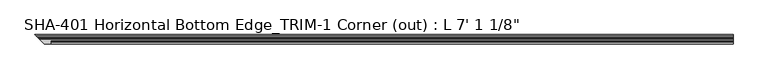
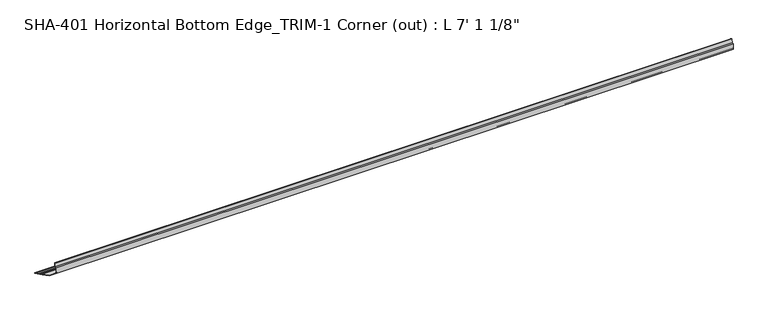
"""IFC4 building model written with IfcOpenShell, lengths in millimetres: proxy geometry."""

from ifc_helpers import new_model, si_unit, frame, origin, place, context, project, spatial, polyline, circle_curve, ellipse_curve, source, transform, mapped, element, save
from ifc_brep_helpers import plane_surface, cylinder_surface, revolved_surface, advanced_brep


def proxy_b42b2d06(model_context):
    return source(origin(), model_context, "Body", "AdvancedBrep", [
        advanced_brep(
        [(2162.175, 7.2036308, 29.6006869), (2162.175, 5.392657, 19.0246), (2162.175, 0.0, 19.0246), (2162.175, 0.0, 0.0), (2162.175, 13.8696178, 0.0), (2162.175, 28.575, 0.0), (2162.175, 28.575, 1.5748), (2162.175, 24.7045919, 1.5748), (2162.175, 21.5549919, 1.5748), (2162.175, 17.018, 1.5748), (2162.175, 13.9230434, 1.905), (2162.175, 3.81, 1.905), (2162.175, 1.905, 3.81), (2162.175, 1.905, 15.2146), (2162.175, 3.81, 17.1196), (2162.175, 9.525, 17.1196), (2162.175, 9.525, 29.5346031), (50.8, 9.525, 29.5346031), (50.8, 7.2036308, 29.6006869), (50.8, 9.525, 17.1196), (50.8, 3.81, 17.1196), (50.8, 1.905, 15.2146), (50.8, 1.905, 3.81), (50.8, 3.81, 1.905), (14.6519566, 13.9230434, 1.905), (28.575, 0.0, 1.905), (50.8, 0.0, 1.905), (11.557, 17.018, 1.5748), (7.0200081, 21.5549919, 1.5748), (3.8704081, 24.7045919, 1.5748), (0.0, 28.575, 1.5748), (0.0, 28.575, 0.0), (14.7053822, 13.8696178, 0.0), (28.575, 0.0, 0.0), (50.8, 0.0, 19.0246), (50.8, 5.392657, 19.0246)],
        [
            (0, 1),
            (1, 2),
            (2, 3),
            (3, 4),
            (4, 5),
            (5, 6),
            (6, 7),
            (7, 8, circle_curve(frame((2162.175, 23.1297919, 1.5748), z_axis=(1.0, 0.0, 0.0), x_axis=(0.0, -1.0, 0.0)), 1.5748)),
            (8, 9),
            (9, 10, circle_curve(frame((2162.175, 15.4432, 1.4838146), z_axis=(1.0, 0.0, 0.0), x_axis=(0.0, -1.0, 0.0)), 1.5774262)),
            (10, 11),
            (11, 12, circle_curve(frame((2162.175, 3.81, 3.81), z_axis=(-1.0, 0.0, 0.0), x_axis=(0.0, -1.0, 0.0)), 1.905)),
            (12, 13),
            (13, 14, circle_curve(frame((2162.175, 3.81, 15.2146), z_axis=(-1.0, 0.0, 0.0), x_axis=(0.0, -1.0, 0.0)), 1.905)),
            (14, 15),
            (15, 16),
            (16, 0, circle_curve(frame((2162.175, 8.3323235, 28.4438454), z_axis=(1.0, 0.0, 0.0), x_axis=(0.0, -1.0, 0.0)), 1.6162393)),
            (16, 17),
            (17, 18, circle_curve(frame((50.8, 8.3323235, 28.4438454), z_axis=(1.0, 0.0, 0.0), x_axis=(0.0, -1.0, 0.0)), 1.6162393)),
            (18, 0),
            (15, 19),
            (19, 17),
            (14, 20),
            (20, 19),
            (13, 21),
            (21, 20, circle_curve(frame((50.8, 3.81, 15.2146), z_axis=(-1.0, 0.0, 0.0), x_axis=(0.0, -1.0, 0.0)), 1.905)),
            (12, 22),
            (22, 21),
            (11, 23),
            (23, 22, circle_curve(frame((50.8, 3.81, 3.81), z_axis=(-1.0, 0.0, 0.0), x_axis=(0.0, -1.0, 0.0)), 1.905)),
            (10, 24),
            (24, 25),
            (25, 26),
            (26, 23),
            (9, 27),
            (27, 24, ellipse_curve(frame((13.1318, 15.4432, 1.4838146), z_axis=(0.7071067811865469, 0.7071067811865481, 0.0), x_axis=(0.7071067811865481, -0.7071067811865469, 0.0)), 2.2308175, 1.5774262)),
            (8, 28),
            (28, 27),
            (7, 29),
            (29, 28, ellipse_curve(frame((5.4452081, 23.1297919, 1.5748), z_axis=(0.7071067811865469, 0.7071067811865481, 0.0), x_axis=(0.7071067811865481, -0.7071067811865469, 0.0)), 2.2271035, 1.5748)),
            (6, 30),
            (30, 29),
            (5, 31),
            (31, 30),
            (4, 32),
            (32, 31),
            (3, 33),
            (33, 32),
            (2, 34),
            (34, 26),
            (25, 33),
            (1, 35),
            (35, 34),
            (18, 35),
        ],
        [
            plane_surface(frame((2162.175, 6.7160842, 28.4438454), z_axis=(1.0, 0.0, 0.0), x_axis=(0.0, 0.0, 1.0))),
            cylinder_surface(frame((0.0, 8.3323235, 28.4438454), z_axis=(1.0, 0.0, 0.0), x_axis=(0.0, -1.0, 0.0)), 1.6162393),
            plane_surface(frame((2162.175, 9.525, 29.5346031), z_axis=(0.0, 1.0, 0.0), x_axis=(-1.0, 0.0, 0.0))),
            plane_surface(frame((2162.175, 9.525, 17.1196), z_axis=(0.0, 0.0, -1.0), x_axis=(-1.0, 0.0, 0.0))),
            revolved_surface(polyline([(50.8, 1.905, 15.2146), (2162.175, 1.905, 15.2146)]), (0.0, 3.81, 15.2146), (-1.0, 0.0, 0.0)),
            plane_surface(frame((2162.175, 1.905, 15.2146), z_axis=(0.0, 1.0, 0.0), x_axis=(-1.0, 0.0, 0.0))),
            revolved_surface(polyline([(50.8, 1.905, 3.81), (2162.175, 1.905, 3.81)]), (0.0, 3.81, 3.81), (-1.0, 0.0, 0.0)),
            plane_surface(frame((2162.175, 3.81, 1.905), z_axis=(0.0, 0.0, 1.0), x_axis=(-1.0, 0.0, 0.0))),
            cylinder_surface(frame((0.0, 15.4432, 1.4838146), z_axis=(1.0, 0.0, 0.0), x_axis=(0.0, -1.0, 0.0)), 1.5774262),
            plane_surface(frame((2162.175, 17.018, 1.5748), z_axis=(0.0, 0.0, 1.0), x_axis=(-1.0, 0.0, 0.0))),
            cylinder_surface(frame((0.0, 23.1297919, 1.5748), z_axis=(1.0, 0.0, 0.0), x_axis=(0.0, -1.0, 0.0)), 1.5748),
            plane_surface(frame((2162.175, 24.7045919, 1.5748), z_axis=(0.0, 0.0, 1.0), x_axis=(-1.0, 0.0, 0.0))),
            plane_surface(frame((2162.175, 28.575, 1.5748), z_axis=(0.0, 1.0, 0.0), x_axis=(-1.0, 0.0, 0.0))),
            plane_surface(frame((2162.175, 28.575, 0.0), z_axis=(0.0, 0.0, -1.0), x_axis=(-1.0, 0.0, 0.0))),
            plane_surface(frame((2162.175, 13.8696178, 0.0), z_axis=(0.0, 0.0, -1.0), x_axis=(-1.0, 0.0, 0.0))),
            plane_surface(frame((2162.175, 0.0, 0.0), z_axis=(0.0, -1.0, 0.0), x_axis=(-1.0, 0.0, 0.0))),
            plane_surface(frame((2162.175, 0.0, 19.0246), z_axis=(0.0, 0.0, 1.0), x_axis=(-1.0, 0.0, 0.0))),
            plane_surface(frame((2162.175, 5.392657, 19.0246), z_axis=(0.0, -0.985654359399156, 0.1687764314039123), x_axis=(-1.0, 0.0, 0.0))),
            plane_surface(frame((0.0, 28.575, 31.3303492), z_axis=(-0.7071067811865469, -0.7071067811865481, 0.0), x_axis=(0.0, 0.0, -1.0))),
            plane_surface(frame((50.8, 9.525, 1.905), z_axis=(-1.0, 0.0, 0.0), x_axis=(0.0, -1.0, 0.0))),
        ],
        [
            (0, [[1, 2, 3, 4, 5, 6, 7, 8, 9, 10, 11, 12, 13, 14, 15, 16, 17]]),
            (1, [[18, 19, 20, -17]]),
            (2, [[21, 22, -18, -16]]),
            (3, [[23, 24, -21, -15]]),
            (4, [[25, 26, -23, -14]]),
            (5, [[27, 28, -25, -13]]),
            (6, [[29, 30, -27, -12]]),
            (7, [[31, 32, 33, 34, -29, -11]]),
            (8, [[35, 36, -31, -10]]),
            (9, [[37, 38, -35, -9]]),
            (10, [[39, 40, -37, -8]]),
            (11, [[41, 42, -39, -7]]),
            (12, [[43, 44, -41, -6]]),
            (13, [[45, 46, -43, -5]]),
            (14, [[47, 48, -45, -4]]),
            (15, [[49, 50, -33, 51, -47, -3]]),
            (16, [[52, 53, -49, -2]]),
            (17, [[-20, 54, -52, -1]]),
            (18, [[-38, -40, -42, -44, -46, -48, -51, -32, -36]]),
            (19, [[-50, -53, -54, -19, -22, -24, -26, -28, -30, -34]]),
        ],
    ),
    ])


if __name__ == "__main__":
    model = new_model("IFC4")
    model_context = context("Model", 3, world=origin())
    ifc_project = project(units=[si_unit("LENGTHUNIT", "METRE", prefix="MILLI")], contexts=[model_context])
    site = spatial("IfcSite", under=ifc_project)
    building = spatial("IfcBuilding", under=site)
    placement = place(None, origin())
    proxy_shape = proxy_b42b2d06(model_context)
    element("IfcBuildingElementProxy", 1, Name="SHA-401 Horizontal Bottom Edge_TRIM-1 Corner (out) : L 7' 1 1/8\"", ObjectType="SHA-401 Horizontal Bottom Edge_TRIM-1 Corner (out) : L 7' 1 1/8\"", at=placement, inside=building, context=model_context, shape_type="MappedRepresentation", body=[
        mapped(proxy_shape, transform((0.0, 0.0, 0.0), x_axis=(1.0, 0.0, 0.0), y_axis=(0.0, 1.0, 0.0), z_axis=(0.0, 0.0, 1.0))),
    ])
    save(model, "model.ifc")
